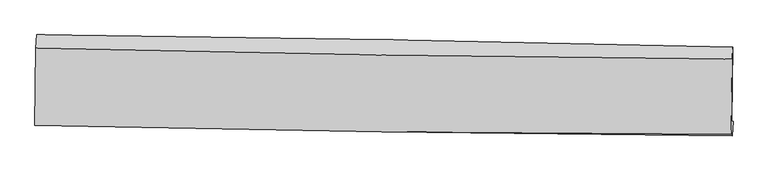
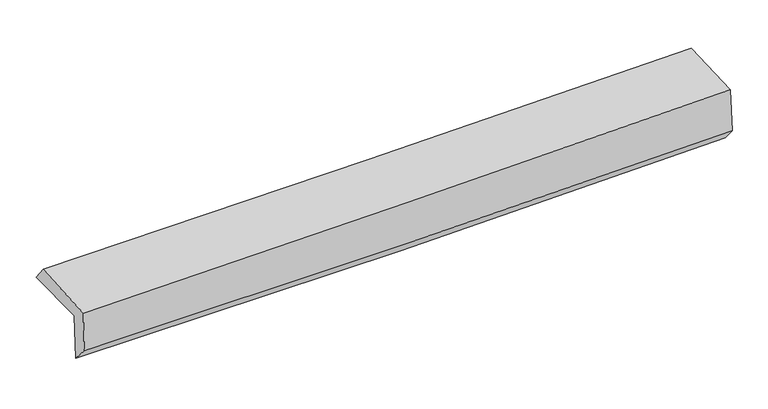
"""IFC4 building model written with IfcOpenShell, lengths in millimetres: proxy geometry."""

from ifc_helpers import new_model, si_unit, frame, origin, place, context, project, spatial, source, transform, mapped, element, save
from ifc_brep_helpers import plane_surface, spline_curve, spline_surface, advanced_brep


def generic_models_c85b664d(model_context):
    return source(origin(), model_context, "Body", "AdvancedBrep", [
        advanced_brep(
        [(-3037.2987705, -1731.9659253, 1966.9346537), (-3028.5291964, -1102.6876069, 1964.5153645), (3024.0137419, -1209.852374, 2096.2155485), (3014.6459837, -1854.3753354, 2113.0545593), (-3026.0283551, -1738.8892933, 1543.7667637), (3025.947682, -1856.1540148, 1691.3714874), (-3032.6901713, -1890.5750719, 1713.6714867), (3020.0914834, -1985.4598958, 1842.808278), (-3042.8940715, -1891.9349175, 2092.8667385), (3009.4341413, -1971.0748688, 2246.9939055), (-3034.2417134, -1219.8643982, 2116.849257), (3018.1447445, -1314.6563889, 2260.7472)],
        [
            (0, 1),
            (1, 2, spline_curve(3, [(-3028.5291964, -1102.6876069, 1964.5153645), (-2019.064061957, -1112.308398228, 1962.917456876), (-1009.93369929, -1126.049688624, 1973.094385654), (1007.580562423, -1161.771905825, 2016.996242537), (2015.964512588, -1183.752204607, 2050.7193749), (3024.0137419, -1209.852374, 2096.2155485)], [4, 2, 4], [0.0, 9.933939566801412, 19.86712167658692])),
            (2, 3),
            (3, 0, spline_curve(3, [(3014.6459837, -1854.3753354, 2113.0545593), (2006.206617734, -1861.863763391, 2064.785344217), (997.677436976, -1855.408113495, 2028.474086515), (-1019.637467442, -1814.607103719, 1979.765627219), (-2028.423204443, -1780.259616541, 1967.370249996), (-3037.2987705, -1731.9659253, 1966.9346537)], [4, 2, 4], [0.0, 9.933182109785507, 19.86712167658692])),
            (4, 0),
            (3, 5),
            (5, 4, spline_curve(3, [(3025.947682, -1856.1540148, 1691.3714874), (2017.602166619, -1840.91950209, 1651.310403424), (1009.117306148, -1823.530640008, 1618.979641843), (-1008.208018611, -1784.44272832, 1569.776888445), (-2017.048503609, -1762.743349653, 1552.906075341), (-3026.0283551, -1738.8892933, 1543.7667637)], [4, 2, 4], [0.0, 9.933167159145215, 19.867091774166273])),
            (6, 4),
            (5, 7),
            (7, 6, spline_curve(3, [(3020.0914834, -1985.4598958, 1842.808278), (2011.436057075, -1974.749473581, 1811.955416044), (1002.729105525, -1961.487592466, 1785.767818265), (-1014.864771427, -1929.859706885, 1742.721509744), (-2023.751704869, -1911.493313434, 1725.86351055), (-3032.6901713, -1890.5750719, 1713.6714867)], [4, 2, 4], [0.0, 9.932396418832568, 19.865550234768])),
            (8, 6),
            (7, 9),
            (9, 8, spline_curve(3, [(3009.4341413, -1971.0748688, 2246.9939055), (2000.467550093, -1968.308465061, 2223.634717829), (991.642793821, -1960.330717454, 2199.111727353), (-1025.799965362, -1933.951528209, 2147.736182494), (-2034.417947009, -1915.549292427, 2120.883450649), (-3042.8940715, -1891.9349175, 2092.8667385)], [4, 2, 4], [0.0, 9.932201159077119, 19.865159700367528])),
            (10, 8),
            (9, 11),
            (11, 10, spline_curve(3, [(3018.1447445, -1314.6563889, 2260.7472), (2009.293808016, -1307.040334034, 2235.579681613), (1000.522028278, -1295.33343108, 2211.004861732), (-1016.940136558, -1263.736724859, 2163.038790106), (-2025.630509371, -1243.846297572, 2139.647629125), (-3034.2417134, -1219.8643982, 2116.849257)], [4, 2, 4], [0.0, 9.932187314293557, 19.865132009744666])),
            (1, 10),
            (11, 2),
        ],
        [
            spline_surface(3, 3, [[(-3037.2987705, -1731.9659253, 1966.9346537), (-2028.423204538, -1780.259616594, 1967.370250143), (-1019.63746742, -1814.607103602, 1979.765627382), (997.677436953, -1855.408113612, 2028.474086352), (2006.206617893, -1861.863763287, 2064.785344339), (3014.6459837, -1854.3753354, 2113.0545593)], [(-3034.375579124, -1522.206485832, 1966.128223947), (-2025.30349034, -1557.609210444, 1965.885985686), (-1016.402878065, -1585.087965256, 1977.541880132), (1000.978478755, -1624.19604439, 2024.648138425), (2009.459249436, -1635.826577037, 2060.096687928), (3017.76856977, -1639.534348259, 2107.441555717)], [(-3031.452387776, -1312.447046368, 1965.321794253), (-2022.18377617, -1334.958804298, 1964.401721289), (-1013.168288645, -1355.56882688, 1975.318132876), (1004.279520622, -1392.983975138, 2020.822190491), (2012.711880971, -1409.78939081, 2055.408031467), (3020.89115583, -1424.693361141, 2101.828552083)], [(-3028.5291964, -1102.6876069, 1964.5153645), (-2019.064061972, -1112.308398148, 1962.917456832), (-1009.933699291, -1126.049688533, 1973.094385627), (1007.580562423, -1161.771905916, 2016.996242564), (2015.964512514, -1183.75220456, 2050.719375056), (3024.0137419, -1209.852374, 2096.2155485)]], [4, 4], [4, 2, 4], [0.0, 2.2678008957123854], [0.0, 9.933939566801412, 19.86712167658692]),
            spline_surface(3, 3, [[(-3026.0283551, -1738.8892933, 1543.7667637), (-2017.048503608, -1762.743349519, 1552.906075187), (-1008.208018455, -1784.442728196, 1569.776888362), (1009.117305991, -1823.530640132, 1618.979641926), (2017.602166542, -1840.919501936, 1651.310403324), (3025.947682, -1856.1540148, 1691.3714874)], [(-3029.785160257, -1736.581503955, 1684.822727032), (-2020.840070608, -1768.582105199, 1691.060800171), (-1012.017834749, -1794.497520003, 1706.439801386), (1005.304016339, -1834.156464631, 1755.477790084), (2013.803650308, -1847.900922372, 1789.135383651), (3022.180449216, -1855.561121653, 1831.932511355)], [(-3033.541965343, -1734.273714645, 1825.878690368), (-2024.631637538, -1774.420860914, 1829.215525159), (-1015.827651125, -1804.552311795, 1843.102714359), (1001.490726605, -1844.782289113, 1891.975938193), (2010.005134126, -1854.882342851, 1926.960364012), (3018.413216484, -1854.968228547, 1972.493535345)], [(-3037.2987705, -1731.9659253, 1966.9346537), (-2028.423204538, -1780.259616594, 1967.370250143), (-1019.63746742, -1814.607103602, 1979.765627382), (997.677436953, -1855.408113612, 2028.474086352), (2006.206617893, -1861.863763287, 2064.785344339), (3014.6459837, -1854.3753354, 2113.0545593)]], [4, 4], [4, 2, 4], [0.0, 1.3486655811683717], [0.0, 9.933924615021057, 19.867091774166273]),
            spline_surface(3, 3, [[(-3032.6901713, -1890.5750719, 1713.6714867), (-2023.751704772, -1911.493313397, 1725.86351039), (-1014.864771464, -1929.859706915, 1742.721509692), (1002.729105562, -1961.487592436, 1785.767818317), (2011.436057185, -1974.749473498, 1811.955416122), (3020.0914834, -1985.4598958, 1842.808278)], [(-3030.469565893, -1840.013145713, 1657.036579047), (-2021.517304378, -1861.909992118, 1668.211032003), (-1012.645853811, -1881.387380659, 1685.073302576), (1004.858505688, -1915.501941651, 1730.171759514), (2013.49142699, -1930.139482974, 1758.407078537), (3022.043549619, -1942.357935463, 1792.329347814)], [(-3028.248960507, -1789.451219487, 1600.401671353), (-2019.282904003, -1812.326670799, 1610.558553574), (-1010.426936108, -1832.915054452, 1627.425095478), (1006.987905864, -1869.516290917, 1674.575700729), (2015.546796737, -1885.52949246, 1704.858740909), (3023.995615781, -1899.255975137, 1741.850417586)], [(-3026.0283551, -1738.8892933, 1543.7667637), (-2017.048503608, -1762.743349519, 1552.906075187), (-1008.208018455, -1784.442728196, 1569.776888362), (1009.117305991, -1823.530640132, 1618.979641926), (2017.602166542, -1840.919501936, 1651.310403324), (3025.947682, -1856.1540148, 1691.3714874)]], [4, 4], [4, 2, 4], [0.0, 0.726040994646088], [0.0, 9.933153815935434, 19.865550234768]),
            spline_surface(3, 3, [[(-3042.8940715, -1891.9349175, 2092.8667385), (-2034.417946852, -1915.549292274, 2120.883450583), (-1025.799965395, -1933.951528356, 2147.736182508), (991.642793854, -1960.330717307, 2199.11172734), (2000.467549963, -1968.308464994, 2223.634717754), (3009.4341413, -1971.0748688, 2246.9939055)], [(-3039.49277142, -1891.481635624, 1966.468321228), (-2030.862532811, -1914.197299306, 1989.21013718), (-1022.154900747, -1932.587587899, 2012.731291559), (995.338231095, -1960.716342373, 2061.330424322), (2004.123719018, -1970.455467848, 2086.408283871), (3012.986588648, -1975.869877819, 2112.265362995)], [(-3036.09147138, -1891.028353776, 1840.069903972), (-2027.307118812, -1912.845306365, 1857.536823793), (-1018.509836113, -1931.223647372, 1877.726400641), (999.033668321, -1961.101967369, 1923.549121335), (2007.779888129, -1972.602470645, 1949.181850005), (3016.539036052, -1980.664886781, 1977.536820505)], [(-3032.6901713, -1890.5750719, 1713.6714867), (-2023.751704772, -1911.493313397, 1725.86351039), (-1014.864771464, -1929.859706915, 1742.721509692), (1002.729105562, -1961.487592436, 1785.767818317), (2011.436057185, -1974.749473498, 1811.955416122), (3020.0914834, -1985.4598958, 1842.808278)]], [4, 4], [4, 2, 4], [0.0, 1.3429452883434458], [0.0, 9.93295854129041, 19.865159700367528]),
            spline_surface(3, 3, [[(-3034.2417134, -1219.8643982, 2116.849257), (-2025.630509281, -1243.846297407, 2139.647629105), (-1016.940136498, -1263.736724814, 2163.038790225), (1000.522028218, -1295.333431125, 2211.004861613), (2009.293808049, -1307.040333955, 2235.579681509), (3018.1447445, -1314.6563889, 2260.7472)], [(-3037.125832764, -1443.887904621, 2108.855084175), (-2028.559655135, -1467.747295683, 2133.392902939), (-1019.893412781, -1487.141659329, 2157.937921008), (997.562283446, -1516.999193185, 2207.040483544), (2006.35172203, -1527.463044289, 2231.598026936), (3015.24121011, -1533.462548855, 2256.162768512)], [(-3040.009952136, -1667.911411079, 2100.860911325), (-2031.488800998, -1691.648293997, 2127.138176749), (-1022.846689112, -1710.546593842, 2152.837051725), (994.602538626, -1738.664955246, 2203.076105409), (2003.409635982, -1747.88575466, 2227.616372327), (3012.33767569, -1752.268708845, 2251.578336988)], [(-3042.8940715, -1891.9349175, 2092.8667385), (-2034.417946852, -1915.549292274, 2120.883450583), (-1025.799965395, -1933.951528356, 2147.736182508), (991.642793854, -1960.330717307, 2199.11172734), (2000.467549963, -1968.308464994, 2223.634717754), (3009.4341413, -1971.0748688, 2246.9939055)]], [4, 4], [4, 2, 4], [0.0, 2.190956748845154], [0.0, 9.93294469545111, 19.865132009744666]),
            spline_surface(3, 3, [[(-3028.5291964, -1102.6876069, 1964.5153645), (-2019.064061972, -1112.308398148, 1962.917456832), (-1009.933699291, -1126.049688533, 1973.094385627), (1007.580562423, -1161.771905916, 2016.996242564), (2015.964512514, -1183.75220456, 2050.719375056), (3024.0137419, -1209.852374, 2096.2155485)], [(-3030.433368743, -1141.746537355, 2015.293328671), (-2021.252877751, -1156.154364589, 2021.827514261), (-1012.26917837, -1171.945367271, 2036.409187135), (1005.227717678, -1206.292414296, 2081.665782223), (2013.740944362, -1224.84824771, 2112.33947718), (3022.057409436, -1244.787045651, 2151.059432307)], [(-3032.337541057, -1180.805467745, 2066.071292829), (-2023.441693502, -1200.000330965, 2080.737571676), (-1014.604657419, -1217.841046077, 2099.723988717), (1002.874872963, -1250.812922744, 2146.335321955), (2011.517376201, -1265.944290805, 2173.959579384), (3020.101076964, -1279.721717249, 2205.903316193)], [(-3034.2417134, -1219.8643982, 2116.849257), (-2025.630509281, -1243.846297407, 2139.647629105), (-1016.940136498, -1263.736724814, 2163.038790225), (1000.522028218, -1295.333431125, 2211.004861613), (2009.293808049, -1307.040333955, 2235.579681509), (3018.1447445, -1314.6563889, 2260.7472)]], [4, 4], [4, 2, 4], [0.0, 0.7715093342841272], [0.0, 9.933132199906892, 19.865507004359127]),
            plane_surface(frame((3018.7129628, -1698.5954796, 2041.8651631), z_axis=(0.9995439178677809, -0.013826350531365392, 0.026847500526322222), x_axis=(0.02634161719932594, -0.03555528897929418, -0.9990204905951244))),
            plane_surface(frame((-3033.613713, -1595.9862022, 1899.7673773), z_axis=(-0.9995439178677634, 0.013826350533475279, -0.026847500525882), x_axis=(-0.01393446689251559, -0.9998955211366053, 0.0038441440370783663))),
        ],
        [
            (0, [[1, 2, 3, 4]]),
            (1, [[5, -4, 6, 7]]),
            (2, [[8, -7, 9, 10]]),
            (3, [[11, -10, 12, 13]]),
            (4, [[14, -13, 15, 16]]),
            (5, [[17, -16, 18, -2]]),
            (6, [[-12, -9, -6, -3, -18, -15]]),
            (7, [[-1, -5, -8, -11, -14, -17]]),
        ],
    ),
    ])


if __name__ == "__main__":
    model = new_model("IFC4")
    model_context = context("Model", 3, world=origin())
    ifc_project = project(units=[si_unit("LENGTHUNIT", "METRE", prefix="MILLI")], contexts=[model_context])
    site = spatial("IfcSite", under=ifc_project)
    building = spatial("IfcBuilding", under=site)
    placement = place(None, origin())
    generic_models_shape = generic_models_c85b664d(model_context)
    element("IfcBuildingElementProxy", 1, Name="Generic Models", at=placement, inside=building, context=model_context, shape_type="MappedRepresentation", body=[
        mapped(generic_models_shape, transform((0.0, 0.0, 0.0), x_axis=(1.0, 0.0, 0.0), y_axis=(0.0, 1.0, 0.0), z_axis=(0.0, 0.0, 1.0))),
    ])
    save(model, "model.ifc")
